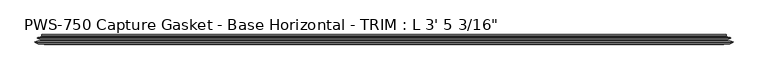
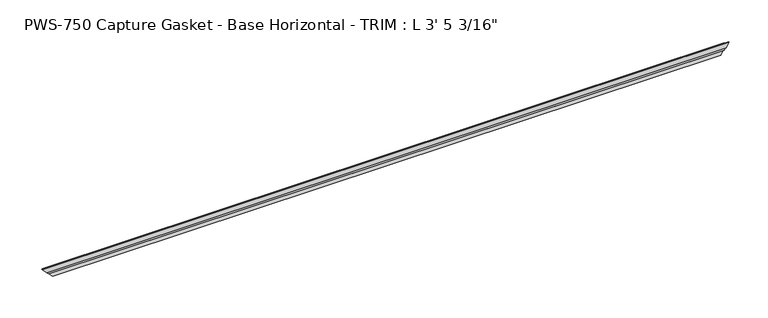
"""IFC4 building model written with IfcOpenShell, lengths in millimetres: proxy geometry."""

from ifc_helpers import new_model, si_unit, origin, place, context, project, spatial, faceted_brep, source, transform, mapped, element, save


def proxy_d5510cdd(model_context):
    return source(origin(), model_context, "Body", "Brep", [
        faceted_brep([(1035.6444896, 11.3058688, 3.7741579), (10.5180104, 11.3058688, 3.7741579), (9.9694015, 10.5185521, 4.3227669), (1036.1930985, 10.5185521, 4.3227669), (6.8541528, 10.1484847, 7.4380156), (1039.3083472, 10.1484847, 7.4380156), (8.1534683, 11.2380874, 6.1387001), (1038.0090317, 11.2380874, 6.1387001), (4.2087587, 9.8326365, 10.0834097), (1041.9537413, 9.8326365, 10.0834097), (3.6194015, 9.077363, 10.6727669), (1042.5430985, 9.077363, 10.6727669), (4.2455601, 8.3570499, 10.0466082), (1041.9169399, 8.3570499, 10.0466082), (8.1534683, 6.964711, 6.1387001), (1038.0090317, 6.964711, 6.1387001), (6.8541528, 8.0543136, 7.4380156), (1039.3083472, 8.0543136, 7.4380156), (9.9694015, 7.6842462, 4.3227669), (1036.1930985, 7.6842462, 4.3227669), (9.9694015, 4.8395867, 4.3227669), (1036.1930985, 4.8395867, 4.3227669), (4.3825047, 4.8395867, 9.9096637), (1041.7799953, 4.8395867, 9.9096637), (0.0, 3.7618735, 14.2921683), (1046.1625, 3.7618735, 14.2921683), (0.2465562, 2.7592562, 14.0456121), (1045.9159438, 2.7592562, 14.0456121), (5.3486143, 0.3893608, 8.9435541), (1040.8138857, 0.3893608, 8.9435541), (3.2925728, 2.4454023, 10.9995955), (1042.8699272, 2.4454023, 10.9995955), (5.4593479, 2.4454023, 8.8328204), (1040.7031521, 2.4454023, 8.8328204), (8.4293132, 0.3893608, 5.8628551), (1037.7331868, 0.3893608, 5.8628551), (6.5862777, 2.6340331, 7.7058906), (1039.5762223, 2.6340331, 7.7058906), (9.6912611, 2.3338527, 4.6009073), (1036.4712389, 2.3338527, 4.6009073), (13.9270181, 0.0, 0.3651502), (1032.2354819, 0.0, 0.3651502), (14.2921683, 0.7787217, 0.0), (1031.8703317, 0.7787217, 0.0), (11.7400908, 3.3307993, 2.5520776), (1034.4224092, 3.3307993, 2.5520776), (11.3945114, 13.0602862, 2.897657), (1034.7679886, 13.0602862, 2.897657), (10.0363127, 14.4184849, 4.2558556), (1036.1261873, 14.4184849, 4.2558556), (10.0363127, 13.3109165, 4.2558556), (1036.1261873, 13.3109165, 4.2558556)], [[[0, 1, 2, 3]], [[3, 2, 4, 5]], [[5, 4, 6, 7]], [[7, 6, 8, 9]], [[9, 8, 10, 11]], [[11, 10, 12, 13]], [[13, 12, 14, 15]], [[15, 14, 16, 17]], [[17, 16, 18, 19]], [[19, 18, 20, 21]], [[21, 20, 22, 23]], [[24, 25, 23, 22]], [[25, 24, 26, 27]], [[27, 26, 28, 29]], [[29, 28, 30, 31]], [[31, 30, 32, 33]], [[33, 32, 34, 35]], [[35, 34, 36, 37]], [[37, 36, 38, 39]], [[39, 38, 40, 41]], [[41, 40, 42, 43]], [[43, 42, 44, 45]], [[45, 44, 46, 47]], [[47, 46, 48, 49]], [[49, 48, 50, 51]], [[1, 0, 51, 50]], [[0, 3, 5, 7, 9, 11, 13, 15, 17, 19, 21, 23, 25, 27, 29, 31, 33, 35, 37, 39, 41, 43, 45, 47, 49, 51]], [[2, 1, 50, 48, 46, 44, 42, 40, 38, 36, 34, 32, 30, 28, 26, 24, 22, 20, 18, 16, 14, 12, 10, 8, 6, 4]]]),
    ])


if __name__ == "__main__":
    model = new_model("IFC4")
    model_context = context("Model", 3, world=origin())
    ifc_project = project(units=[si_unit("LENGTHUNIT", "METRE", prefix="MILLI")], contexts=[model_context])
    site = spatial("IfcSite", under=ifc_project)
    building = spatial("IfcBuilding", under=site)
    placement = place(None, origin())
    proxy_shape = proxy_d5510cdd(model_context)
    element("IfcBuildingElementProxy", 1, Name="PWS-750 Capture Gasket - Base Horizontal - TRIM : L 3' 5 3/16\"", ObjectType="PWS-750 Capture Gasket - Base Horizontal - TRIM : L 3' 5 3/16\"", at=placement, inside=building, context=model_context, shape_type="MappedRepresentation", body=[
        mapped(proxy_shape, transform((0.0, 0.0, 0.0), x_axis=(1.0, 0.0, 0.0), y_axis=(0.0, 1.0, 0.0), z_axis=(0.0, 0.0, 1.0))),
    ])
    save(model, "model.ifc")
